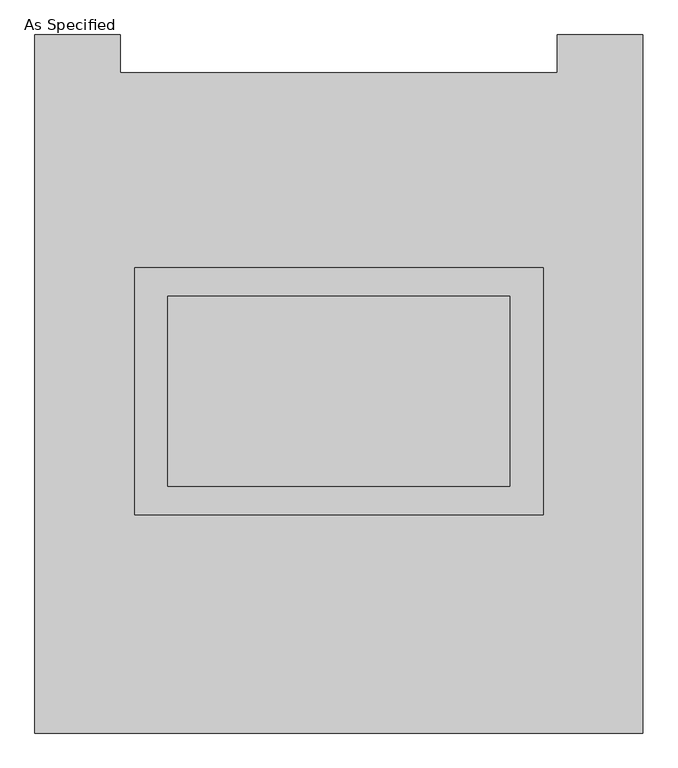
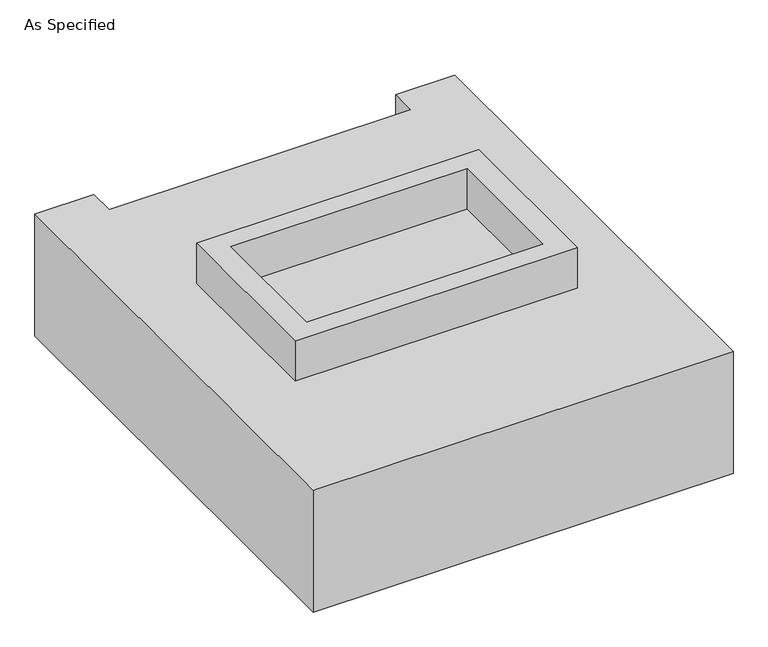
"""IFC4 building model written with IfcOpenShell, lengths in millimetres: proxy geometry, As Specified."""

from ifc_helpers import new_model, si_unit, frame, origin, place, context, project, spatial, polyline, outline, extrude, faceted_brep, source, transform, mapped, element, save


def as_specified_4a97fa93(model_context):
    return source(origin(), model_context, "Body", "SolidModel", [
        extrude(outline(polyline([(546.1, 361.95), (546.1, -298.45), (-546.1, -298.45), (-546.1, 361.95), (546.1, 361.95)]), holes=[polyline([(457.2, 285.75), (-457.2, 285.75), (-457.2, -222.25), (457.2, -222.25), (457.2, 285.75)])]), frame((0.0, 0.0, -25.4), z_axis=(0.0, 0.0, 1.0), x_axis=(1.0, 0.0, 0.0)), (0.0, 0.0, 1.0), 165.1),
        extrude(outline(polyline([(457.2, 285.75), (457.2, -222.25), (-457.2, -222.25), (-457.2, 285.75), (457.2, 285.75)])), frame((0.0, 0.0, -30.3609375), z_axis=(0.0, 0.0, 1.0), x_axis=(1.0, 0.0, 0.0)), (0.0, 0.0, 1.0), 4.9609375),
        faceted_brep([(812.8, -882.65, -523.875), (-812.8, -882.65, -523.875), (-812.8, 984.25, -523.875), (-584.2, 984.25, -523.875), (-584.2, 882.65, -523.875), (584.2, 882.65, -523.875), (584.2, 984.25, -523.875), (812.8, 984.25, -523.875), (-812.8, -882.65, -25.4), (812.8, -882.65, -25.4), (812.8, 984.25, -25.4), (584.2, 984.25, -25.4), (584.2, 882.65, -25.4), (-584.2, 882.65, -25.4), (-584.2, 984.25, -25.4), (-812.8, 984.25, -25.4), (-546.1, -298.45, -25.4), (-546.1, 361.95, -25.4), (546.1, 361.95, -25.4), (546.1, -298.45, -25.4), (546.1, 361.95, -498.475), (-546.1, 361.95, -498.475), (-546.1, -298.45, -498.475), (546.1, -298.45, -498.475)], [[[0, 1, 2, 3, 4, 5, 6, 7]], [[8, 9, 10, 11, 12, 13, 14, 15], [16, 17, 18, 19]], [[4, 13, 12, 5]], [[1, 8, 15, 2]], [[10, 9, 0, 7]], [[20, 21, 22, 23]], [[22, 21, 17, 16]], [[21, 20, 18, 17]], [[20, 23, 19, 18]], [[16, 19, 23, 22]], [[1, 0, 9, 8]], [[4, 3, 14, 13]], [[3, 2, 15, 14]], [[6, 5, 12, 11]], [[7, 6, 11, 10]]]),
    ])


if __name__ == "__main__":
    model = new_model("IFC4")
    model_context = context("Model", 3, world=origin())
    ifc_project = project(units=[si_unit("LENGTHUNIT", "METRE", prefix="MILLI")], contexts=[model_context])
    site = spatial("IfcSite", under=ifc_project)
    building = spatial("IfcBuilding", under=site)
    placement = place(None, origin())
    as_specified_shape = as_specified_4a97fa93(model_context)
    element("IfcBuildingElementProxy", 1, Name="As Specified", ObjectType="As Specified", at=placement, inside=building, context=model_context, shape_type="MappedRepresentation", body=[
        mapped(as_specified_shape, transform((0.0, 0.0, 0.0), x_axis=(1.0, 0.0, 0.0), y_axis=(0.0, 1.0, 0.0), z_axis=(0.0, 0.0, 1.0))),
    ])
    save(model, "model.ifc")
